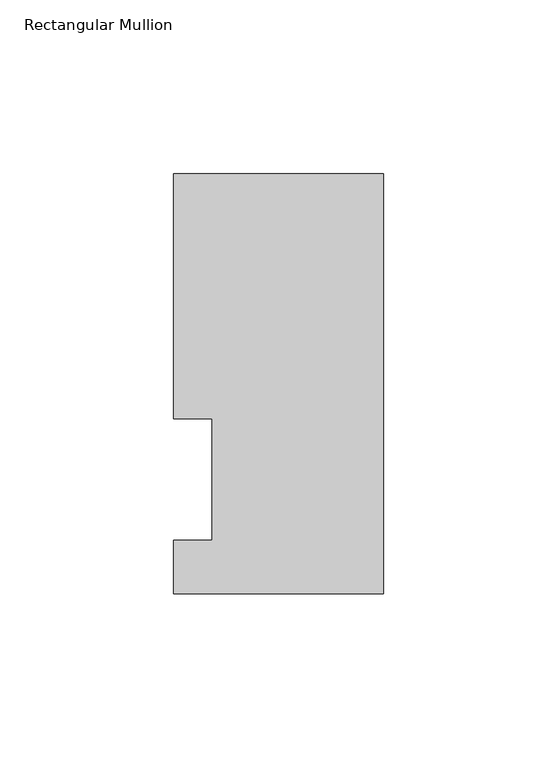
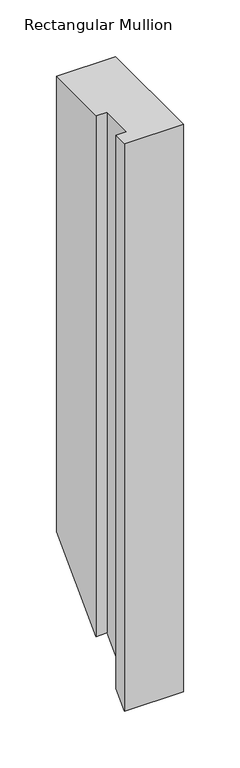
"""IFC4 building model written with IfcOpenShell, lengths in millimetres: member geometry, Rectangular Mullion."""

from ifc_helpers import new_model, si_unit, origin, place, context, project, spatial, faceted_brep, source, transform, mapped, element, save


def rectangular_mullion_6ff6a759(model_context):
    return source(origin(), model_context, "Body", "Brep", [
        faceted_brep([(0.0, -3.3164122, 0.0), (0.0, 117.4859878, 0.0), (-60.3251015, 117.4859878, 0.0), (-60.3251015, 47.0517878, 0.0), (-49.2253015, 47.0517878, 0.0), (-49.2253015, 12.1267878, 0.0), (-60.3251015, 12.1267878, 0.0), (-60.3251015, -3.3164122, 0.0), (0.0, -3.3164122, -612.9164122), (0.0, 117.4859878, -492.1140122), (-60.3251015, 117.4859878, -492.1140122), (-60.3251015, 47.0517878, -562.5482122), (-49.2253015, 47.0517878, -562.5482122), (-49.2253015, 12.1267878, -597.4732122), (-60.3251015, 12.1267878, -597.4732122), (-60.3251015, -3.3164122, -612.9164122)], [[[0, 1, 2, 3, 4, 5, 6, 7]], [[1, 0, 8, 9]], [[2, 1, 9, 10]], [[3, 2, 10, 11]], [[4, 3, 11, 12]], [[5, 4, 12, 13]], [[6, 5, 13, 14]], [[7, 6, 14, 15]], [[0, 7, 15, 8]], [[8, 15, 14, 13, 12, 11, 10, 9]]]),
    ])


if __name__ == "__main__":
    model = new_model("IFC4")
    model_context = context("Model", 3, world=origin())
    ifc_project = project(units=[si_unit("LENGTHUNIT", "METRE", prefix="MILLI")], contexts=[model_context])
    site = spatial("IfcSite", under=ifc_project)
    building = spatial("IfcBuilding", under=site)
    placement = place(None, origin())
    rectangular_mullion_shape = rectangular_mullion_6ff6a759(model_context)
    element("IfcMember", 1, ObjectType="Rectangular Mullion", at=placement, inside=building, context=model_context, shape_type="MappedRepresentation", body=[
        mapped(rectangular_mullion_shape, transform((0.0, 0.0, 0.0), x_axis=(1.0, 0.0, 0.0), y_axis=(0.0, 1.0, 0.0), z_axis=(0.0, 0.0, 1.0))),
    ])
    save(model, "model.ifc")
